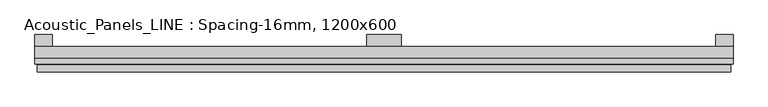
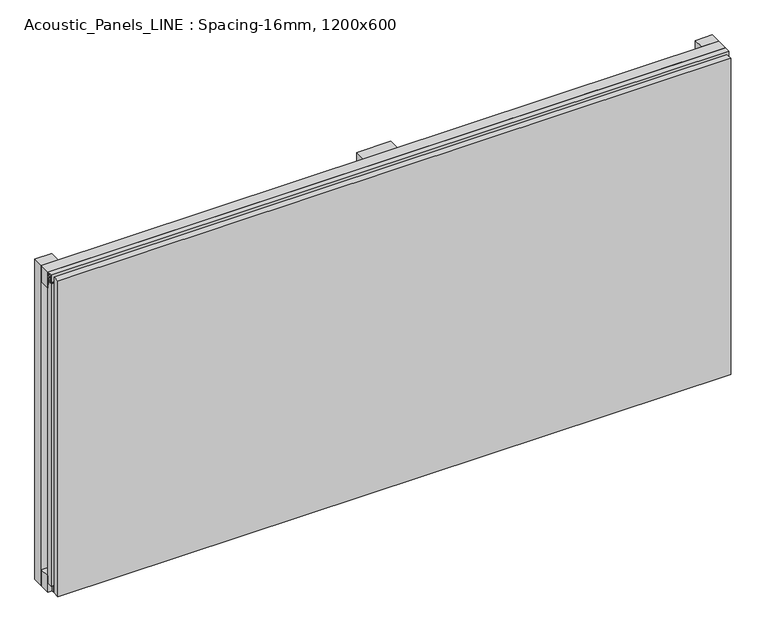
"""IFC4 building model written with IfcOpenShell, lengths in millimetres: plate geometry, Acoustic_Panels_LINE : Spacing-16mm, 1200x600."""

from ifc_helpers import new_model, si_unit, frame, origin, origin_with_axes, place, context, project, spatial, polyline, outline, extrude, faceted_brep, source, transform, mapped, element, save


def acoustic_panels_line_spacing_16mm_1200x600_536dd57b(model_context):
    return source(origin(), model_context, "Body", "SolidModel", [
        extrude(outline(polyline([(-600.0, -40.0), (-600.0, -20.0), (600.0, -20.0), (600.0, -40.0), (-600.0, -40.0)])), frame((0.0, 0.0, 570.0), z_axis=(0.0, 0.0, 1.0), x_axis=(1.0, 0.0, 0.0)), (0.0, 0.0, 1.0), 30.0),
        extrude(outline(polyline([(-600.0, -40.0), (-600.0, -20.0), (600.0, -20.0), (600.0, -40.0), (-600.0, -40.0)])), origin_with_axes(), (0.0, 0.0, 1.0), 30.0),
        extrude(outline(polyline([(570.0, 0.0), (600.0, 0.0), (600.0, -20.0), (570.0, -20.0), (570.0, 0.0)])), origin_with_axes(), (0.0, 0.0, 1.0), 600.0),
        extrude(outline(polyline([(30.0, 0.0), (30.0, -20.0), (-30.0, -20.0), (-30.0, 0.0), (30.0, 0.0)])), origin_with_axes(), (0.0, 0.0, 1.0), 600.0),
        extrude(outline(polyline([(-570.0, 0.0), (-570.0, -20.0), (-600.0, -20.0), (-600.0, 0.0), (-570.0, 0.0)])), origin_with_axes(), (0.0, 0.0, 1.0), 600.0),
        extrude(outline(polyline([(-40.0, 593.700916), (-43.5, 593.700916), (-40.0553267, 584.6441401), (-40.0553267, 577.008452), (-41.4553267, 577.008452), (-41.4553267, 584.4296606), (-45.5140545, 595.100916), (-41.4, 595.100916), (-41.4, 598.5843193), (-48.7, 598.5843193), (-48.7, 586.5843193), (-50.1, 586.5843193), (-50.1, 600.0), (-40.0, 600.0), (-40.0, 593.700916)])), frame((-600.0, 0.0, 0.0), z_axis=(1.0, 0.0, 0.0), x_axis=(0.0, 1.0, 0.0)), (0.0, 0.0, 1.0), 1200.0),
        extrude(outline(polyline([(-593.700916, -40.0), (-593.700916, -43.5), (-584.6441401, -40.0553267), (-577.008452, -40.0553267), (-577.008452, -41.4553267), (-584.4296606, -41.4553267), (-595.100916, -45.5140545), (-595.100916, -41.4), (-598.5843193, -41.4), (-598.5843193, -48.7), (-586.5843193, -48.7), (-586.5843193, -50.1), (-600.0, -50.1), (-600.0, -40.0), (-593.700916, -40.0)])), frame((0.0, 0.0, 16.9558599), z_axis=(0.0, 0.0, 1.0), x_axis=(1.0, 0.0, 0.0)), (0.0, 0.0, 1.0), 566.0882802),
        extrude(outline(polyline([(593.700916, -40.0), (600.0, -40.0), (600.0, -50.1), (586.5843193, -50.1), (586.5843193, -48.7), (598.5843193, -48.7), (598.5843193, -41.4), (595.100916, -41.4), (595.100916, -45.5140545), (584.4296606, -41.4553267), (577.008452, -41.4553267), (577.008452, -40.0553267), (584.6441401, -40.0553267), (593.700916, -43.5), (593.700916, -40.0)])), frame((0.0, 0.0, 16.9558599), z_axis=(0.0, 0.0, 1.0), x_axis=(1.0, 0.0, 0.0)), (0.0, 0.0, 1.0), 566.0882802),
        faceted_brep([(596.0, -45.9, 596.0), (-596.0, -45.9, 596.0), (-596.0, -48.7, 596.0), (596.0, -48.7, 596.0), (-596.0, -63.9, 596.0), (596.0, -63.9, 596.0), (596.0, -51.9, 596.0), (-596.0, -51.9, 596.0), (-596.0, -45.9, 4.0), (596.0, -45.9, 4.0), (596.0, -48.7, 4.0), (-596.0, -48.7, 4.0), (596.0, -63.9, 4.0), (-596.0, -63.9, 4.0), (-596.0, -51.9, 4.0), (596.0, -51.9, 4.0), (584.0, -51.9, 584.0), (584.0, -51.9, 16.0), (584.0, -48.7, 16.0), (584.0, -48.7, 584.0), (-584.0, -51.9, 16.0), (-584.0, -48.7, 16.0), (-584.0, -51.9, 584.0), (-584.0, -48.7, 584.0)], [[[0, 1, 2, 3]], [[4, 5, 6, 7]], [[8, 9, 10, 11]], [[12, 13, 14, 15]], [[1, 0, 9, 8]], [[1, 8, 11, 2]], [[13, 4, 7, 14]], [[5, 4, 13, 12]], [[9, 0, 3, 10]], [[5, 12, 15, 6]], [[16, 17, 18, 19]], [[18, 17, 20, 21]], [[21, 20, 22, 23]], [[16, 19, 23, 22]], [[7, 6, 15, 14], [17, 16, 22, 20]], [[3, 2, 11, 10], [19, 18, 21, 23]]]),
    ])


if __name__ == "__main__":
    model = new_model("IFC4")
    model_context = context("Model", 3, world=origin())
    ifc_project = project(units=[si_unit("LENGTHUNIT", "METRE", prefix="MILLI")], contexts=[model_context])
    site = spatial("IfcSite", under=ifc_project)
    building = spatial("IfcBuilding", under=site)
    placement = place(None, origin())
    acoustic_panels_line_spacing_16mm_1200x600_shape = acoustic_panels_line_spacing_16mm_1200x600_536dd57b(model_context)
    element("IfcPlate", 1, ObjectType="Acoustic_Panels_LINE : Spacing-16mm, 1200x600", at=placement, inside=building, context=model_context, shape_type="MappedRepresentation", body=[
        mapped(acoustic_panels_line_spacing_16mm_1200x600_shape, transform((0.0, 0.0, 0.0), x_axis=(1.0, 0.0, 0.0), y_axis=(0.0, 1.0, 0.0), z_axis=(0.0, 0.0, 1.0))),
    ])
    save(model, "model.ifc")
